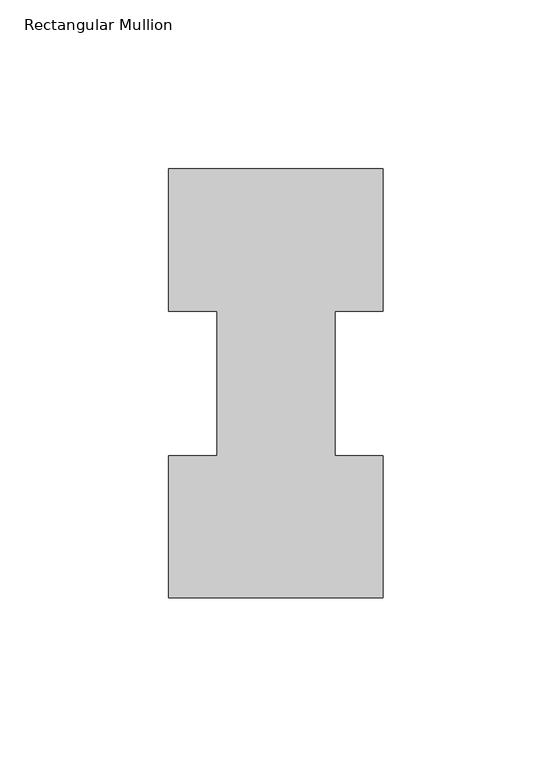
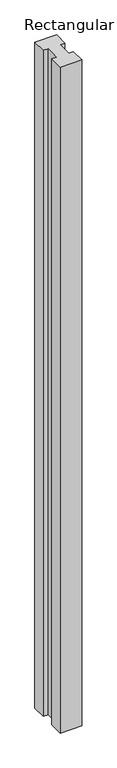
"""IFC4 building model written with IfcOpenShell, lengths in millimetres: member geometry, Rectangular Mullion."""

from ifc_helpers import new_model, si_unit, frame, origin, place, context, project, spatial, polyline, outline, extrude, source, transform, mapped, element, save


def rectangular_mullion_c1b6af1d(model_context):
    return source(origin(), model_context, "Body", "SweptSolid", [
        extrude(outline(polyline([(-31.75, 126.7086938), (31.75, 126.7086938), (31.75, 84.6335938), (17.4625, 84.6335938), (17.4625, 41.7837937), (31.75, 41.7837937), (31.75, -0.2913062), (-31.75, -0.2913062), (-31.75, 41.7837937), (-17.4625, 41.7837937), (-17.4625, 84.6335938), (-31.75, 84.6335938), (-31.75, 126.7086938)])), frame((0.0, 0.0, -2057.4), z_axis=(0.0, 0.0, 1.0), x_axis=(1.0, 0.0, 0.0)), (0.0, 0.0, 1.0), 2057.4),
    ])


if __name__ == "__main__":
    model = new_model("IFC4")
    model_context = context("Model", 3, world=origin())
    ifc_project = project(units=[si_unit("LENGTHUNIT", "METRE", prefix="MILLI")], contexts=[model_context])
    site = spatial("IfcSite", under=ifc_project)
    building = spatial("IfcBuilding", under=site)
    placement = place(None, origin())
    rectangular_mullion_shape = rectangular_mullion_c1b6af1d(model_context)
    element("IfcMember", 1, ObjectType="Rectangular Mullion", at=placement, inside=building, context=model_context, shape_type="MappedRepresentation", body=[
        mapped(rectangular_mullion_shape, transform((0.0, 0.0, 0.0), x_axis=(1.0, 0.0, 0.0), y_axis=(0.0, 1.0, 0.0), z_axis=(0.0, 0.0, 1.0))),
    ])
    save(model, "model.ifc")
